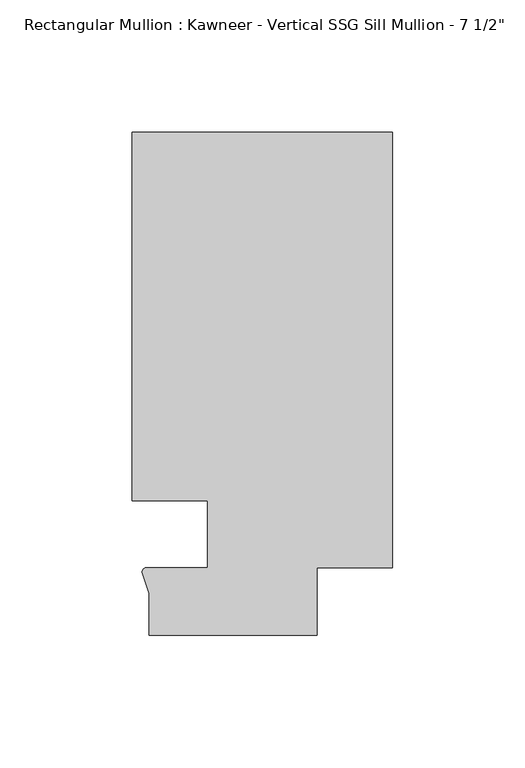
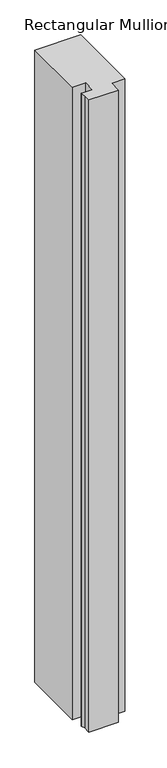
"""IFC4 building model written with IfcOpenShell, lengths in millimetres: member geometry."""

from ifc_helpers import new_model, si_unit, point, frame, frame_2d, origin, place, context, project, spatial, polyline, circle_curve, trimmed, segment, composite_curve, outline, extrude, source, transform, mapped, element, save


def member_b50c65f7(model_context):
    return source(origin(), model_context, "Body", "SweptSolid", [
        extrude(outline(composite_curve([segment(polyline([(-69.85, 12.7), (-98.425, 12.7), (-98.425, 151.892), (0.0, 151.892), (0.0, -12.7), (-28.575, -12.7), (-28.575, -38.1), (-92.075, -38.1), (-92.075, -22.2250977), (-94.7258552, -14.2884292)]), True, "CONTINUOUS"), segment(trimmed(circle_curve(frame_2d((-93.0262373, -14.401412)), 1.703369), [point((-94.7258552, -14.2884292))], [point((-93.1091288, -12.700061))], False, "CARTESIAN"), True, "CONTINUOUS"), segment(polyline([(-93.1091288, -12.700061), (-69.85, -12.700061), (-69.85, 12.7)]), True, "CONTINUOUS")], self_intersect=False)), frame((0.0, 0.0, -1437.1931847), z_axis=(0.0, 0.0, 1.0), x_axis=(1.0, 0.0, 0.0)), (0.0, 0.0, 1.0), 1437.1931847),
    ])


if __name__ == "__main__":
    model = new_model("IFC4")
    model_context = context("Model", 3, world=origin())
    ifc_project = project(units=[si_unit("LENGTHUNIT", "METRE", prefix="MILLI")], contexts=[model_context])
    site = spatial("IfcSite", under=ifc_project)
    building = spatial("IfcBuilding", under=site)
    placement = place(None, origin())
    member_shape = member_b50c65f7(model_context)
    element("IfcMember", 1, ObjectType="Rectangular Mullion : Kawneer - Vertical SSG Sill Mullion - 7 1/2\"", at=placement, inside=building, context=model_context, shape_type="MappedRepresentation", body=[
        mapped(member_shape, transform((0.0, 0.0, 0.0), x_axis=(1.0, 0.0, 0.0), y_axis=(0.0, 1.0, 0.0), z_axis=(0.0, 0.0, 1.0))),
    ])
    save(model, "model.ifc")
